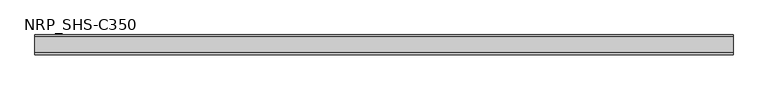
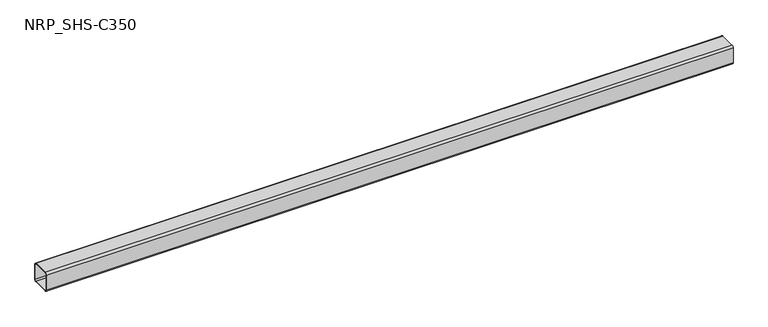
"""IFC4 building model written with IfcOpenShell, lengths in millimetres: member geometry, NRP_SHS-C350."""

from ifc_helpers import new_model, si_unit, point, frame, frame_2d, origin, place, context, project, spatial, polyline, circle_curve, trimmed, segment, composite_curve, outline, extrude, source, transform, mapped, element, save


def nrp_shs_c350_ba937442(model_context):
    return source(origin(), model_context, "Body", "SweptSolid", [
        extrude(outline(composite_curve([segment(trimmed(circle_curve(frame_2d((-35.75, 35.75)), 8.75), [point((-44.5, 35.75))], [point((-35.75, 44.5))], False, "CARTESIAN"), True, "CONTINUOUS"), segment(polyline([(-35.75, 44.5), (35.75, 44.5)]), True, "CONTINUOUS"), segment(trimmed(circle_curve(frame_2d((35.75, 35.75)), 8.75), [point((35.75, 44.5))], [point((44.5, 35.75))], False, "CARTESIAN"), True, "CONTINUOUS"), segment(polyline([(44.5, 35.75), (44.5, -35.75)]), True, "CONTINUOUS"), segment(trimmed(circle_curve(frame_2d((35.75, -35.75)), 8.75), [point((44.5, -35.75))], [point((35.75, -44.5))], False, "CARTESIAN"), True, "CONTINUOUS"), segment(polyline([(35.75, -44.5), (-35.75, -44.5)]), True, "CONTINUOUS"), segment(trimmed(circle_curve(frame_2d((-35.75, -35.75)), 8.75), [point((-35.75, -44.5))], [point((-44.5, -35.75))], False, "CARTESIAN"), True, "CONTINUOUS"), segment(polyline([(-44.5, -35.75), (-44.5, 35.75)]), True, "CONTINUOUS")], self_intersect=False), holes=[composite_curve([segment(polyline([(35.75, 41.0), (-35.75, 41.0)]), True, "CONTINUOUS"), segment(trimmed(circle_curve(frame_2d((-35.75, 35.75)), 5.25), [point((-35.75, 41.0))], [point((-41.0, 35.75))], True, "CARTESIAN"), True, "CONTINUOUS"), segment(polyline([(-41.0, 35.75), (-41.0, -35.75)]), True, "CONTINUOUS"), segment(trimmed(circle_curve(frame_2d((-35.75, -35.75)), 5.25), [point((-41.0, -35.75))], [point((-35.75, -41.0))], True, "CARTESIAN"), True, "CONTINUOUS"), segment(polyline([(-35.75, -41.0), (35.75, -41.0)]), True, "CONTINUOUS"), segment(trimmed(circle_curve(frame_2d((35.75, -35.75)), 5.25), [point((35.75, -41.0))], [point((41.0, -35.75))], True, "CARTESIAN"), True, "CONTINUOUS"), segment(polyline([(41.0, -35.75), (41.0, 35.75)]), True, "CONTINUOUS"), segment(trimmed(circle_curve(frame_2d((35.75, 35.75)), 5.25), [point((41.0, 35.75))], [point((35.75, 41.0))], True, "CARTESIAN"), True, "CONTINUOUS")], self_intersect=False)]), frame((-1589.5, 0.0, 0.0), z_axis=(1.0, 0.0, 0.0), x_axis=(0.0, 1.0, 0.0)), (0.0, 0.0, 1.0), 3127.0),
    ])


if __name__ == "__main__":
    model = new_model("IFC4")
    model_context = context("Model", 3, world=origin())
    ifc_project = project(units=[si_unit("LENGTHUNIT", "METRE", prefix="MILLI")], contexts=[model_context])
    site = spatial("IfcSite", under=ifc_project)
    building = spatial("IfcBuilding", under=site)
    placement = place(None, origin())
    nrp_shs_c350_shape = nrp_shs_c350_ba937442(model_context)
    element("IfcMember", 1, ObjectType="NRP_SHS-C350", at=placement, inside=building, context=model_context, shape_type="MappedRepresentation", body=[
        mapped(nrp_shs_c350_shape, transform((0.0, 0.0, 0.0), x_axis=(1.0, 0.0, 0.0), y_axis=(0.0, 1.0, 0.0), z_axis=(0.0, 0.0, 1.0))),
    ])
    save(model, "model.ifc")
